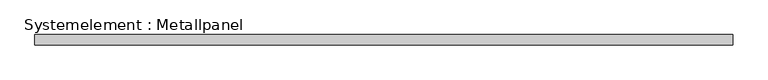
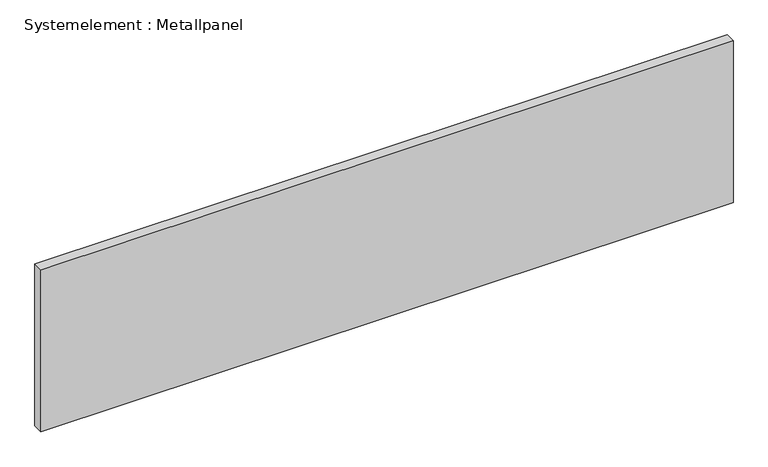
"""IFC4 building model written with IfcOpenShell, lengths in millimetres: plate geometry, Systemelement : Metallpanel."""

import ifcopenshell
import ifcopenshell.guid

model = None  # the IFC model being written
_history = None  # IfcOwnerHistory: only IFC2X3 demands one
_inside = {}  # id of a spatial element -> (the spatial element, [elements in it])
_under = {}  # id of a project, library or spatial element -> (it, [spatial elements below it])
_declared = {}  # id of a project -> (the project, [libraries it declares])
_typed = {}  # id of a type object -> (the type object, [elements of that type])
_made_of = {}  # id of a material, layer set ... -> (it, [elements and type objects made of it])


def new_model(schema):
    """Start an empty IFC model of exactly this schema.

    Asked for "IFC4X3", IfcOpenShell would pick the latest addendum, in which some entities
    have other attributes; the version numbers below select the first issue.
    IFC2X3 requires an IfcOwnerHistory on every rooted entity: one is made here for all.
    """
    global model, _history
    if schema == "IFC4X3":
        model = ifcopenshell.file(schema_version=(4, 3, 0, 0))
    else:
        model = ifcopenshell.file(schema=schema)
    _inside.clear()
    _under.clear()
    _declared.clear()
    _typed.clear()
    _made_of.clear()
    _history = None
    if model.schema == "IFC2X3":
        org = make("IfcOrganization", Name="unknown")
        user = make(
            "IfcPersonAndOrganization",
            ThePerson=make("IfcPerson", FamilyName="unknown"),
            TheOrganization=org,
        )
        app = make(
            "IfcApplication",
            ApplicationDeveloper=org,
            Version="unknown",
            ApplicationFullName="unknown",
            ApplicationIdentifier="unknown",
        )
        _history = make(
            "IfcOwnerHistory",
            OwningUser=user,
            OwningApplication=app,
            ChangeAction="ADDED",
            CreationDate=0,
        )
    return model


def make(cls, **values):
    """One entity of the class cls with the attributes given. An attribute that is None is left unset."""
    return model.create_entity(
        cls, **{name: value for name, value in values.items() if value is not None}
    )


def rooted(cls, **values):
    """An entity with a GlobalId (a new one), such as an element, a storey or a relation."""
    return make(cls, GlobalId=ifcopenshell.guid.new(), OwnerHistory=_history, **values)


def si_unit(unit_type, name, prefix=None):
    """IfcSIUnit, for example si_unit("LENGTHUNIT", "METRE", prefix="MILLI")."""
    return make("IfcSIUnit", UnitType=unit_type, Prefix=prefix, Name=name)


def assignment(units):
    """IfcUnitAssignment: the units of a project."""
    return None if units is None else make("IfcUnitAssignment", Units=units)


def point(xyz):
    """IfcCartesianPoint."""
    return None if xyz is None else make("IfcCartesianPoint", Coordinates=xyz)


def direction(xyz):
    """IfcDirection."""
    return None if xyz is None else make("IfcDirection", DirectionRatios=xyz)


def frame(location, z_axis=None, x_axis=None):
    """IfcAxis2Placement3D, a coordinate frame: its origin and axes. An axis left out is left unset."""
    return make(
        "IfcAxis2Placement3D",
        Location=point(location),
        Axis=direction(z_axis),
        RefDirection=direction(x_axis),
    )


def origin():
    """The frame at (0, 0, 0) with its axes left unset."""
    return frame((0.0, 0.0, 0.0))


def origin_with_axes():
    """The frame at (0, 0, 0) with the z axis (0, 0, 1) and the x axis (1, 0, 0) written out."""
    return frame((0.0, 0.0, 0.0), z_axis=(0.0, 0.0, 1.0), x_axis=(1.0, 0.0, 0.0))


def place(relative_to, where):
    """IfcLocalPlacement: puts the frame where relative to a parent placement (None: the world)."""
    return make(
        "IfcLocalPlacement", PlacementRelTo=relative_to, RelativePlacement=where
    )


def context(
    kind, dimensions, precision=None, world=None, true_north=None, identifier=None
):
    """IfcGeometricRepresentationContext, for example the 3D "Model" context."""
    return make(
        "IfcGeometricRepresentationContext",
        ContextIdentifier=identifier,
        ContextType=kind,
        CoordinateSpaceDimension=dimensions,
        Precision=precision,
        WorldCoordinateSystem=world,
        TrueNorth=true_north,
    )


def project(units=None, contexts=None):
    """IfcProject with its units and contexts."""
    return rooted(
        "IfcProject",
        Name="project",
        RepresentationContexts=contexts,
        UnitsInContext=assignment(units),
    )


def spatial(cls, under=None, at=None, **own):
    """A site, building, storey or space (cls), placed at a placement, below another one or the project."""
    s = rooted(cls, ObjectPlacement=at, **own)
    if under is not None:
        _under.setdefault(under.id(), (under, []))[1].append(s)
    return s


def polyline(points):
    """IfcPolyline through the points."""
    return make("IfcPolyline", Points=[point(p) for p in points])


def outline(outer, holes=None, kind="AREA"):
    """IfcArbitraryClosedProfileDef: a profile drawn as a closed curve; with holes, ...WithVoids."""
    if holes is None:
        return make("IfcArbitraryClosedProfileDef", ProfileType=kind, OuterCurve=outer)
    return make(
        "IfcArbitraryProfileDefWithVoids",
        ProfileType=kind,
        OuterCurve=outer,
        InnerCurves=holes,
    )


def extrude(swept, where, along, depth):
    """IfcExtrudedAreaSolid: the profile swept, set in the frame where, extruded along a direction by depth."""
    return make(
        "IfcExtrudedAreaSolid",
        SweptArea=swept,
        Position=where,
        ExtrudedDirection=direction(along),
        Depth=depth,
    )


def shape(context_of_items, identifier, shape_type, items):
    """IfcShapeRepresentation: the items that make up one representation, for example the "Body"."""
    return make(
        "IfcShapeRepresentation",
        ContextOfItems=context_of_items,
        RepresentationIdentifier=identifier,
        RepresentationType=shape_type,
        Items=items,
    )


def source(mapping_origin, context_of_items, identifier, shape_type, items):
    """IfcRepresentationMap: a shape defined once, which mapped items show again and again."""
    return make(
        "IfcRepresentationMap",
        MappingOrigin=mapping_origin,
        MappedRepresentation=shape(context_of_items, identifier, shape_type, items),
    )


def transform(
    local_origin,
    x_axis=None,
    y_axis=None,
    z_axis=None,
    scale=None,
    scale2=None,
    scale3=None,
    uniform=True,
):
    """IfcCartesianTransformationOperator3D, or its non-uniform kind. x_axis, y_axis, z_axis: its Axis1, 2, 3."""
    if uniform:
        return make(
            "IfcCartesianTransformationOperator3D",
            Axis1=direction(x_axis),
            Axis2=direction(y_axis),
            LocalOrigin=point(local_origin),
            Scale=scale,
            Axis3=direction(z_axis),
        )
    return make(
        "IfcCartesianTransformationOperator3DnonUniform",
        Axis1=direction(x_axis),
        Axis2=direction(y_axis),
        LocalOrigin=point(local_origin),
        Scale=scale,
        Axis3=direction(z_axis),
        Scale2=scale2,
        Scale3=scale3,
    )


def mapped(mapping_source, mapping_target):
    """IfcMappedItem: shows the shape of a source again, moved by a transform."""
    return make(
        "IfcMappedItem", MappingSource=mapping_source, MappingTarget=mapping_target
    )


def made_of(thing, what):
    """Note that an element or type object is made of a material, layer set ...; save() writes the relation."""
    if what is not None:
        _made_of.setdefault(what.id(), (what, []))[1].append(thing)
    return thing


def element(
    cls,
    number,
    at=None,
    inside=None,
    cuts=None,
    type_object=None,
    material=None,
    context=None,
    identifier="Body",
    shape_type=None,
    held_by="IfcProductDefinitionShape",
    body=None,
    shapes=None,
    **own,
):
    """One element of the class cls, such as IfcWall. Its Tag is "e" and its number.

    at: its placement. inside: the storey or other place that contains it. cuts: it is an
    opening in that element (IfcRelVoidsElement). A single representation is given by context,
    identifier, shape_type and body (its items); several are given by shapes. held_by: the class
    of the entity that holds the representations. save() writes the other relations.
    """
    e = rooted(cls, Tag="e%d" % number, ObjectPlacement=at, **own)
    if body is not None:
        shapes = [shape(context, identifier, shape_type, body)]
    if shapes is not None:
        e.Representation = make(held_by, Representations=shapes)
    if inside is not None:
        _inside.setdefault(inside.id(), (inside, []))[1].append(e)
    if cuts is not None:
        rooted(
            "IfcRelVoidsElement", RelatingBuildingElement=cuts, RelatedOpeningElement=e
        )
    if type_object is not None:
        _typed.setdefault(type_object.id(), (type_object, []))[1].append(e)
    return made_of(e, material)


def aggregate(whole, parts):
    """IfcRelAggregates: a whole, such as a stair, and the parts it consists of."""
    return rooted("IfcRelAggregates", RelatingObject=whole, RelatedObjects=parts)


def save(model, path):
    """Write the relations noted so far, then the file.

    IfcRelAggregates (storeys below a building ...), IfcRelContainedInSpatialStructure (elements
    in a storey), IfcRelDefinesByType, IfcRelAssociatesMaterial and IfcRelDeclares: one each for
    every whole, place, type object, material and project.
    """
    for whole, parts in _under.values():
        aggregate(whole, parts)
    for where, things in _inside.values():
        rooted(
            "IfcRelContainedInSpatialStructure",
            RelatedElements=things,
            RelatingStructure=where,
        )
    for kind, things in _typed.values():
        rooted("IfcRelDefinesByType", RelatedObjects=things, RelatingType=kind)
    for what, things in _made_of.values():
        rooted("IfcRelAssociatesMaterial", RelatedObjects=things, RelatingMaterial=what)
    for by, libraries in _declared.values():
        rooted("IfcRelDeclares", RelatingContext=by, RelatedDefinitions=libraries)
    model.write(path)


def systemelement_metallpanel_5db85deb(model_context):
    return source(origin(), model_context, "Body", "SweptSolid", [
        extrude(outline(polyline([(1000.0, -15.0), (-1000.0, -15.0), (-1000.0, 15.0), (1000.0, 15.0), (1000.0, -15.0)])), origin_with_axes(), (0.0, 0.0, 1.0), 495.0),
    ])


if __name__ == "__main__":
    model = new_model("IFC4")
    model_context = context("Model", 3, world=origin())
    ifc_project = project(units=[si_unit("LENGTHUNIT", "METRE", prefix="MILLI")], contexts=[model_context])
    site = spatial("IfcSite", under=ifc_project)
    building = spatial("IfcBuilding", under=site)
    placement = place(None, origin())
    systemelement_metallpanel_shape = systemelement_metallpanel_5db85deb(model_context)
    element("IfcPlate", 1, ObjectType="Systemelement : Metallpanel", at=placement, inside=building, context=model_context, shape_type="MappedRepresentation", body=[
        mapped(systemelement_metallpanel_shape, transform((0.0, 0.0, 0.0), x_axis=(1.0, 0.0, 0.0), y_axis=(0.0, 1.0, 0.0), z_axis=(0.0, 0.0, 1.0))),
    ])
    save(model, "model.ifc")
